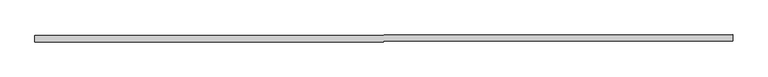
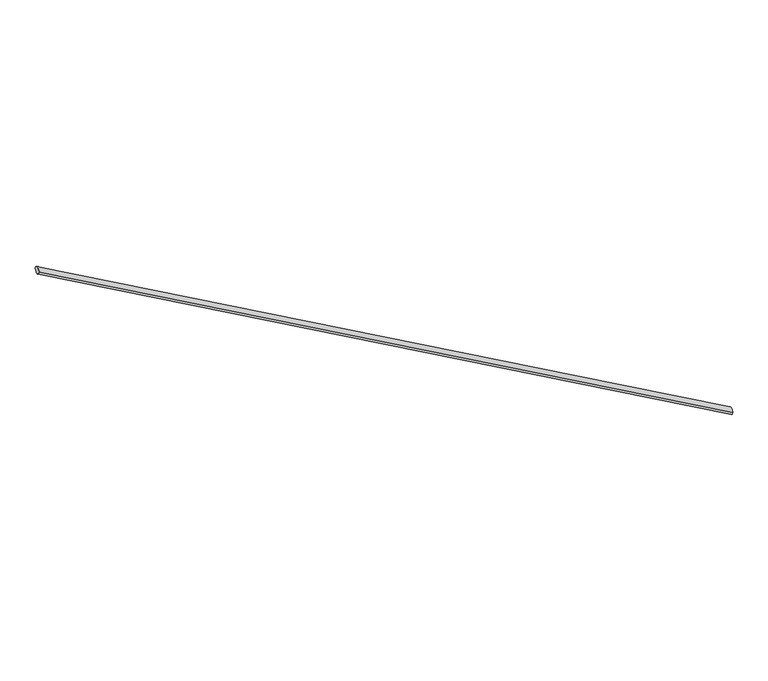
"""IFC4 building model written with IfcOpenShell, lengths in millimetres: railing geometry."""

from ifc_helpers import new_model, si_unit, frame, origin, place, context, project, spatial, ellipse_curve, source, transform, mapped, element, save
from ifc_brep_helpers import plane_surface, cylinder_surface, advanced_brep


def railing_adaafb4f(model_context):
    return source(origin(), model_context, "Body", "AdvancedBrep", [
        advanced_brep(
        [(-41884.5179406, -23761.328834, -8776.6256566), (-41884.4686788, -23801.3288036, -8776.6256566), (-46303.9594006, -23766.7715732, -6280.6255944), (-46303.9101389, -23806.7715429, -6280.6255944)],
        [
            (0, 1, ellipse_curve(frame((-41884.4933097, -23781.3288188, -8776.6256566), z_axis=(0.999999241649821, 0.001231543658528483, 0.0), x_axis=(0.0, 0.0, -1.0)), 22.9693089, 20.0)),
            (1, 0, ellipse_curve(frame((-41884.4933097, -23781.3288188, -8776.6256566), z_axis=(0.999999241649821, 0.001231543658528483, 0.0), x_axis=(0.0, 0.0, -1.0)), 22.9693089, 20.0)),
            (2, 3, ellipse_curve(frame((-46303.9347697, -23786.771558, -6280.6255944), z_axis=(-0.999999241649821, -0.001231543658528483, 0.0), x_axis=(0.0, 0.0, -1.0)), 22.9693089, 20.0)),
            (3, 2, ellipse_curve(frame((-46303.9347697, -23786.771558, -6280.6255944), z_axis=(-0.999999241649821, -0.001231543658528483, 0.0), x_axis=(0.0, 0.0, -1.0)), 22.9693089, 20.0)),
            (0, 2),
            (3, 1),
        ],
        [
            plane_surface(frame((-41884.4933097, -23781.3288188, -8776.6256566), z_axis=(0.999999241649821, 0.001231543658528483, 0.0), x_axis=(0.001231543658528483, -0.999999241649821, 0.0))),
            plane_surface(frame((-46303.9347697, -23786.771558, -6280.6255944), z_axis=(-0.999999241649821, -0.001231543658528483, 0.0), x_axis=(0.001231543658528483, -0.999999241649821, 0.0))),
            cylinder_surface(frame((-41884.4933097, -23781.3288188, -8776.6256566), z_axis=(0.8707264524286044, 0.0010723384540095096, -0.49176650468625605), x_axis=(0.0012315436585284831, -0.999999241649821, 0.0)), 20.0),
        ],
        [
            (0, [[1, 2]]),
            (1, [[3, 4]]),
            (2, [[-1, 5, -4, 6]]),
            (2, [[-2, -6, -3, -5]]),
        ],
    ),
    ])


if __name__ == "__main__":
    model = new_model("IFC4")
    model_context = context("Model", 3, world=origin())
    ifc_project = project(units=[si_unit("LENGTHUNIT", "METRE", prefix="MILLI")], contexts=[model_context])
    site = spatial("IfcSite", under=ifc_project)
    building = spatial("IfcBuilding", under=site)
    placement = place(None, origin())
    railing_shape = railing_adaafb4f(model_context)
    element("IfcRailing", 1, at=placement, inside=building, context=model_context, shape_type="MappedRepresentation", body=[
        mapped(railing_shape, transform((0.0, 0.0, 0.0), x_axis=(1.0, 0.0, 0.0), y_axis=(0.0, 1.0, 0.0), z_axis=(0.0, 0.0, 1.0))),
    ])
    save(model, "model.ifc")
